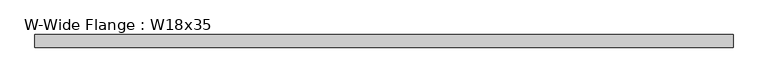
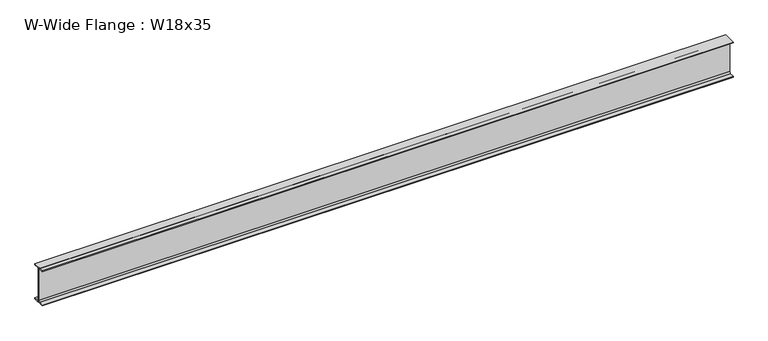
"""IFC4 building model written with IfcOpenShell, lengths in millimetres: beam geometry, W-Wide Flange : W18x35."""

from ifc_helpers import new_model, si_unit, point, frame, frame_2d, origin, place, context, project, spatial, polyline, circle_curve, trimmed, segment, composite_curve, outline, extrude, source, transform, mapped, element, save


def w_wide_flange_w18x35_02316453(model_context):
    return source(origin(), model_context, "Body", "SweptSolid", [
        extrude(outline(composite_curve([segment(polyline([(76.2, -213.995), (76.2, -224.79), (-76.2, -224.79), (-76.2, -213.995), (-21.59, -213.995)]), True, "CONTINUOUS"), segment(trimmed(circle_curve(frame_2d((-21.59, -196.215)), 17.78), [point((-21.59, -213.995))], [point((-3.81, -196.215))], True, "CARTESIAN"), True, "CONTINUOUS"), segment(polyline([(-3.81, -196.215), (-3.81, 196.215)]), True, "CONTINUOUS"), segment(trimmed(circle_curve(frame_2d((-21.59, 196.215)), 17.78), [point((-3.81, 196.215))], [point((-21.59, 213.995))], True, "CARTESIAN"), True, "CONTINUOUS"), segment(polyline([(-21.59, 213.995), (-76.2, 213.995), (-76.2, 224.79), (76.2, 224.79), (76.2, 213.995), (21.59, 213.995)]), True, "CONTINUOUS"), segment(trimmed(circle_curve(frame_2d((21.59, 196.215)), 17.78), [point((21.59, 213.995))], [point((3.81, 196.215))], True, "CARTESIAN"), True, "CONTINUOUS"), segment(polyline([(3.81, 196.215), (3.81, -196.215)]), True, "CONTINUOUS"), segment(trimmed(circle_curve(frame_2d((21.59, -196.215)), 17.78), [point((3.81, -196.215))], [point((21.59, -213.995))], True, "CARTESIAN"), True, "CONTINUOUS"), segment(polyline([(21.59, -213.995), (76.2, -213.995)]), True, "CONTINUOUS")], self_intersect=False)), frame((-4254.373, 0.0, 0.0), z_axis=(1.0, 0.0, 0.0), x_axis=(0.0, 1.0, 0.0)), (0.0, 0.0, 1.0), 8407.146),
    ])


if __name__ == "__main__":
    model = new_model("IFC4")
    model_context = context("Model", 3, world=origin())
    ifc_project = project(units=[si_unit("LENGTHUNIT", "METRE", prefix="MILLI")], contexts=[model_context])
    site = spatial("IfcSite", under=ifc_project)
    building = spatial("IfcBuilding", under=site)
    placement = place(None, origin())
    w_wide_flange_w18x35_shape = w_wide_flange_w18x35_02316453(model_context)
    element("IfcBeam", 1, ObjectType="W-Wide Flange : W18x35", at=placement, inside=building, context=model_context, shape_type="MappedRepresentation", body=[
        mapped(w_wide_flange_w18x35_shape, transform((0.0, 0.0, 0.0), x_axis=(1.0, 0.0, 0.0), y_axis=(0.0, 1.0, 0.0), z_axis=(0.0, 0.0, 1.0))),
    ])
    save(model, "model.ifc")
